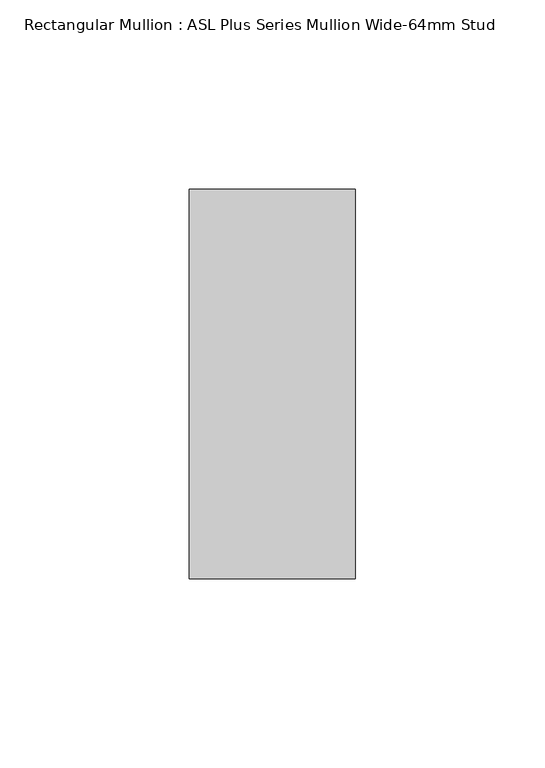
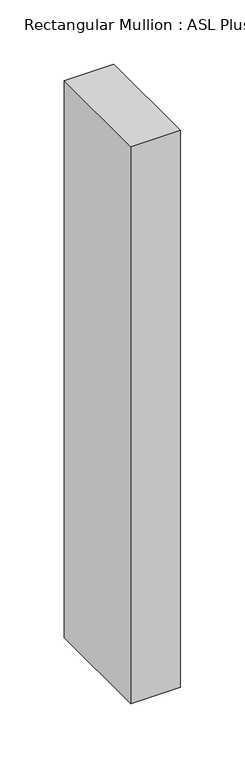
"""IFC4 building model written with IfcOpenShell, lengths in millimetres: member geometry, Rectangular Mullion : ASL Plus Series Mullion Wide-64mm Stud."""

from ifc_helpers import new_model, si_unit, frame, origin, place, context, project, spatial, polyline, outline, extrude, source, transform, mapped, element, save


def rectangular_mullion_asl_plus_series_mullion_wide_64mm_stud_729022fd(model_context):
    return source(origin(), model_context, "Body", "SweptSolid", [
        extrude(outline(polyline([(22.0, 51.5), (22.0, -51.5), (-22.0, -51.5), (-22.0, 51.5), (22.0, 51.5)])), frame((0.0, 0.0, -527.0), z_axis=(0.0, 0.0, 1.0), x_axis=(1.0, 0.0, 0.0)), (0.0, 0.0, 1.0), 527.0),
    ])


if __name__ == "__main__":
    model = new_model("IFC4")
    model_context = context("Model", 3, world=origin())
    ifc_project = project(units=[si_unit("LENGTHUNIT", "METRE", prefix="MILLI")], contexts=[model_context])
    site = spatial("IfcSite", under=ifc_project)
    building = spatial("IfcBuilding", under=site)
    placement = place(None, origin())
    rectangular_mullion_asl_plus_series_mullion_wide_64mm_stud_shape = rectangular_mullion_asl_plus_series_mullion_wide_64mm_stud_729022fd(model_context)
    element("IfcMember", 1, ObjectType="Rectangular Mullion : ASL Plus Series Mullion Wide-64mm Stud", at=placement, inside=building, context=model_context, shape_type="MappedRepresentation", body=[
        mapped(rectangular_mullion_asl_plus_series_mullion_wide_64mm_stud_shape, transform((0.0, 0.0, 0.0), x_axis=(1.0, 0.0, 0.0), y_axis=(0.0, 1.0, 0.0), z_axis=(0.0, 0.0, 1.0))),
    ])
    save(model, "model.ifc")
